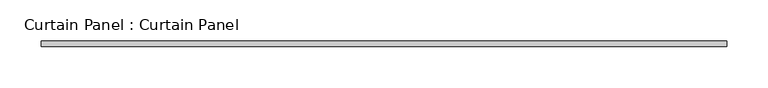
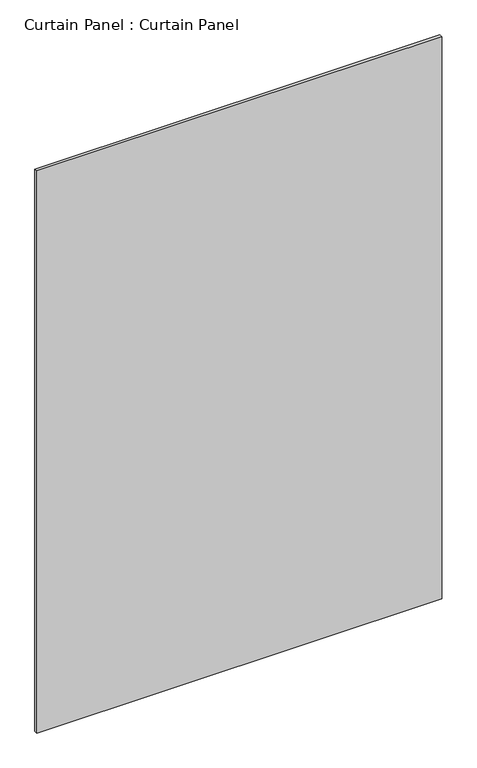
"""IFC4 building model written with IfcOpenShell, lengths in millimetres: plate geometry, Curtain Panel : Curtain Panel."""

from ifc_helpers import new_model, si_unit, frame, origin, place, context, project, spatial, polyline, outline, extrude, source, transform, mapped, element, save


def curtain_panel_curtain_panel_b87d2adf(model_context):
    return source(origin(), model_context, "Body", "SweptSolid", [
        extrude(outline(polyline([(-16896.8343575, 9469.1651052), (-17725.2848953, 9469.1651052), (-17725.2848953, 9475.5151052), (-16896.8343575, 9475.5151052), (-16896.8343575, 9469.1651052)])), frame((0.0, 0.0, 2441.6340943), z_axis=(0.0, 0.0, 1.0), x_axis=(1.0, 0.0, 0.0)), (0.0, 0.0, 1.0), 1215.9659057),
    ])


if __name__ == "__main__":
    model = new_model("IFC4")
    model_context = context("Model", 3, world=origin())
    ifc_project = project(units=[si_unit("LENGTHUNIT", "METRE", prefix="MILLI")], contexts=[model_context])
    site = spatial("IfcSite", under=ifc_project)
    building = spatial("IfcBuilding", under=site)
    placement = place(None, origin())
    curtain_panel_curtain_panel_shape = curtain_panel_curtain_panel_b87d2adf(model_context)
    element("IfcPlate", 1, ObjectType="Curtain Panel : Curtain Panel", at=placement, inside=building, context=model_context, shape_type="MappedRepresentation", body=[
        mapped(curtain_panel_curtain_panel_shape, transform((0.0, 0.0, 0.0), x_axis=(1.0, 0.0, 0.0), y_axis=(0.0, 1.0, 0.0), z_axis=(0.0, 0.0, 1.0))),
    ])
    save(model, "model.ifc")
